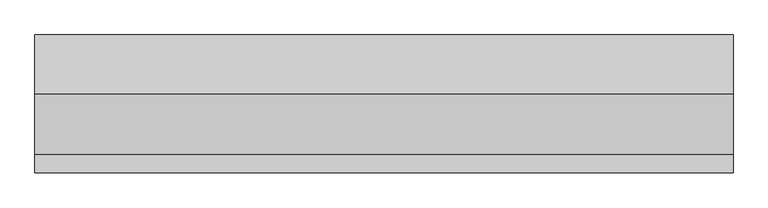
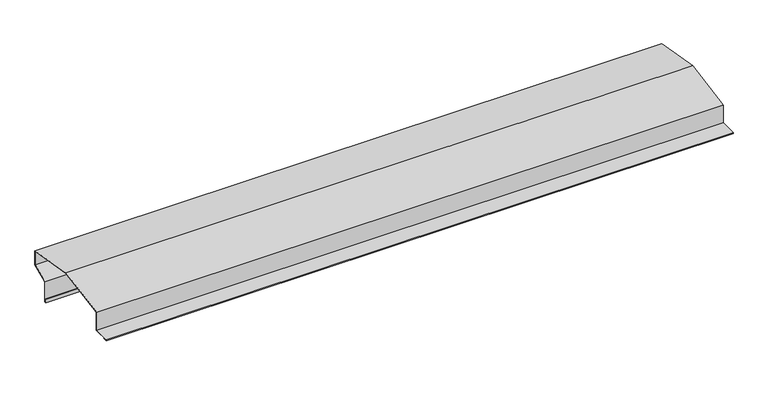
"""IFC4 building model written with IfcOpenShell, lengths in millimetres: proxy geometry."""

import ifcopenshell
import ifcopenshell.guid

model = None  # the IFC model being written
_history = None  # IfcOwnerHistory: only IFC2X3 demands one
_inside = {}  # id of a spatial element -> (the spatial element, [elements in it])
_under = {}  # id of a project, library or spatial element -> (it, [spatial elements below it])
_declared = {}  # id of a project -> (the project, [libraries it declares])
_typed = {}  # id of a type object -> (the type object, [elements of that type])
_made_of = {}  # id of a material, layer set ... -> (it, [elements and type objects made of it])


def new_model(schema):
    """Start an empty IFC model of exactly this schema.

    Asked for "IFC4X3", IfcOpenShell would pick the latest addendum, in which some entities
    have other attributes; the version numbers below select the first issue.
    IFC2X3 requires an IfcOwnerHistory on every rooted entity: one is made here for all.
    """
    global model, _history
    if schema == "IFC4X3":
        model = ifcopenshell.file(schema_version=(4, 3, 0, 0))
    else:
        model = ifcopenshell.file(schema=schema)
    _inside.clear()
    _under.clear()
    _declared.clear()
    _typed.clear()
    _made_of.clear()
    _history = None
    if model.schema == "IFC2X3":
        org = make("IfcOrganization", Name="unknown")
        user = make(
            "IfcPersonAndOrganization",
            ThePerson=make("IfcPerson", FamilyName="unknown"),
            TheOrganization=org,
        )
        app = make(
            "IfcApplication",
            ApplicationDeveloper=org,
            Version="unknown",
            ApplicationFullName="unknown",
            ApplicationIdentifier="unknown",
        )
        _history = make(
            "IfcOwnerHistory",
            OwningUser=user,
            OwningApplication=app,
            ChangeAction="ADDED",
            CreationDate=0,
        )
    return model


def make(cls, **values):
    """One entity of the class cls with the attributes given. An attribute that is None is left unset."""
    return model.create_entity(
        cls, **{name: value for name, value in values.items() if value is not None}
    )


def rooted(cls, **values):
    """An entity with a GlobalId (a new one), such as an element, a storey or a relation."""
    return make(cls, GlobalId=ifcopenshell.guid.new(), OwnerHistory=_history, **values)


def si_unit(unit_type, name, prefix=None):
    """IfcSIUnit, for example si_unit("LENGTHUNIT", "METRE", prefix="MILLI")."""
    return make("IfcSIUnit", UnitType=unit_type, Prefix=prefix, Name=name)


def assignment(units):
    """IfcUnitAssignment: the units of a project."""
    return None if units is None else make("IfcUnitAssignment", Units=units)


def point(xyz):
    """IfcCartesianPoint."""
    return None if xyz is None else make("IfcCartesianPoint", Coordinates=xyz)


def direction(xyz):
    """IfcDirection."""
    return None if xyz is None else make("IfcDirection", DirectionRatios=xyz)


def frame(location, z_axis=None, x_axis=None):
    """IfcAxis2Placement3D, a coordinate frame: its origin and axes. An axis left out is left unset."""
    return make(
        "IfcAxis2Placement3D",
        Location=point(location),
        Axis=direction(z_axis),
        RefDirection=direction(x_axis),
    )


def origin():
    """The frame at (0, 0, 0) with its axes left unset."""
    return frame((0.0, 0.0, 0.0))


def place(relative_to, where):
    """IfcLocalPlacement: puts the frame where relative to a parent placement (None: the world)."""
    return make(
        "IfcLocalPlacement", PlacementRelTo=relative_to, RelativePlacement=where
    )


def context(
    kind, dimensions, precision=None, world=None, true_north=None, identifier=None
):
    """IfcGeometricRepresentationContext, for example the 3D "Model" context."""
    return make(
        "IfcGeometricRepresentationContext",
        ContextIdentifier=identifier,
        ContextType=kind,
        CoordinateSpaceDimension=dimensions,
        Precision=precision,
        WorldCoordinateSystem=world,
        TrueNorth=true_north,
    )


def project(units=None, contexts=None):
    """IfcProject with its units and contexts."""
    return rooted(
        "IfcProject",
        Name="project",
        RepresentationContexts=contexts,
        UnitsInContext=assignment(units),
    )


def spatial(cls, under=None, at=None, **own):
    """A site, building, storey or space (cls), placed at a placement, below another one or the project."""
    s = rooted(cls, ObjectPlacement=at, **own)
    if under is not None:
        _under.setdefault(under.id(), (under, []))[1].append(s)
    return s


def faces_of(points, faces, orient=None, outer=None):
    """IfcFace entities. A face is a list of loops; a loop is a list of indices into points, from 0.

    orient and outer hold one flag for each loop. By default every Orientation is true, the
    first loop of a face is its IfcFaceOuterBound and the others are IfcFaceBound.
    """
    made = []
    for i, loops in enumerate(faces):
        bounds = []
        for j, loop in enumerate(loops):
            is_outer = j == 0 if outer is None else outer[i][j]
            bounds.append(
                make(
                    "IfcFaceOuterBound" if is_outer else "IfcFaceBound",
                    Bound=make("IfcPolyLoop", Polygon=[points[k] for k in loop]),
                    Orientation=True if orient is None else orient[i][j],
                )
            )
        made.append(make("IfcFace", Bounds=bounds))
    return made


def faceted_brep(points, faces, orient=None, outer=None, voids=None):
    """IfcFacetedBrep: a solid bounded by flat faces; with voids (closed shells), ...WithVoids."""
    shared = [point(p) for p in points]
    hull = make("IfcClosedShell", CfsFaces=faces_of(shared, faces, orient, outer))
    if voids is None:
        return make("IfcFacetedBrep", Outer=hull)
    return make(
        "IfcFacetedBrepWithVoids",
        Outer=hull,
        Voids=[
            make(cls, CfsFaces=faces_of(shared, fs, o, b)) for cls, fs, o, b in voids
        ],
    )


def shape(context_of_items, identifier, shape_type, items):
    """IfcShapeRepresentation: the items that make up one representation, for example the "Body"."""
    return make(
        "IfcShapeRepresentation",
        ContextOfItems=context_of_items,
        RepresentationIdentifier=identifier,
        RepresentationType=shape_type,
        Items=items,
    )


def source(mapping_origin, context_of_items, identifier, shape_type, items):
    """IfcRepresentationMap: a shape defined once, which mapped items show again and again."""
    return make(
        "IfcRepresentationMap",
        MappingOrigin=mapping_origin,
        MappedRepresentation=shape(context_of_items, identifier, shape_type, items),
    )


def transform(
    local_origin,
    x_axis=None,
    y_axis=None,
    z_axis=None,
    scale=None,
    scale2=None,
    scale3=None,
    uniform=True,
):
    """IfcCartesianTransformationOperator3D, or its non-uniform kind. x_axis, y_axis, z_axis: its Axis1, 2, 3."""
    if uniform:
        return make(
            "IfcCartesianTransformationOperator3D",
            Axis1=direction(x_axis),
            Axis2=direction(y_axis),
            LocalOrigin=point(local_origin),
            Scale=scale,
            Axis3=direction(z_axis),
        )
    return make(
        "IfcCartesianTransformationOperator3DnonUniform",
        Axis1=direction(x_axis),
        Axis2=direction(y_axis),
        LocalOrigin=point(local_origin),
        Scale=scale,
        Axis3=direction(z_axis),
        Scale2=scale2,
        Scale3=scale3,
    )


def mapped(mapping_source, mapping_target):
    """IfcMappedItem: shows the shape of a source again, moved by a transform."""
    return make(
        "IfcMappedItem", MappingSource=mapping_source, MappingTarget=mapping_target
    )


def made_of(thing, what):
    """Note that an element or type object is made of a material, layer set ...; save() writes the relation."""
    if what is not None:
        _made_of.setdefault(what.id(), (what, []))[1].append(thing)
    return thing


def element(
    cls,
    number,
    at=None,
    inside=None,
    cuts=None,
    type_object=None,
    material=None,
    context=None,
    identifier="Body",
    shape_type=None,
    held_by="IfcProductDefinitionShape",
    body=None,
    shapes=None,
    **own,
):
    """One element of the class cls, such as IfcWall. Its Tag is "e" and its number.

    at: its placement. inside: the storey or other place that contains it. cuts: it is an
    opening in that element (IfcRelVoidsElement). A single representation is given by context,
    identifier, shape_type and body (its items); several are given by shapes. held_by: the class
    of the entity that holds the representations. save() writes the other relations.
    """
    e = rooted(cls, Tag="e%d" % number, ObjectPlacement=at, **own)
    if body is not None:
        shapes = [shape(context, identifier, shape_type, body)]
    if shapes is not None:
        e.Representation = make(held_by, Representations=shapes)
    if inside is not None:
        _inside.setdefault(inside.id(), (inside, []))[1].append(e)
    if cuts is not None:
        rooted(
            "IfcRelVoidsElement", RelatingBuildingElement=cuts, RelatedOpeningElement=e
        )
    if type_object is not None:
        _typed.setdefault(type_object.id(), (type_object, []))[1].append(e)
    return made_of(e, material)


def aggregate(whole, parts):
    """IfcRelAggregates: a whole, such as a stair, and the parts it consists of."""
    return rooted("IfcRelAggregates", RelatingObject=whole, RelatedObjects=parts)


def save(model, path):
    """Write the relations noted so far, then the file.

    IfcRelAggregates (storeys below a building ...), IfcRelContainedInSpatialStructure (elements
    in a storey), IfcRelDefinesByType, IfcRelAssociatesMaterial and IfcRelDeclares: one each for
    every whole, place, type object, material and project.
    """
    for whole, parts in _under.values():
        aggregate(whole, parts)
    for where, things in _inside.values():
        rooted(
            "IfcRelContainedInSpatialStructure",
            RelatedElements=things,
            RelatingStructure=where,
        )
    for kind, things in _typed.values():
        rooted("IfcRelDefinesByType", RelatedObjects=things, RelatingType=kind)
    for what, things in _made_of.values():
        rooted("IfcRelAssociatesMaterial", RelatedObjects=things, RelatingMaterial=what)
    for by, libraries in _declared.values():
        rooted("IfcRelDeclares", RelatingContext=by, RelatedDefinitions=libraries)
    model.write(path)


def generic_models_a0b7d813(model_context):
    return source(origin(), model_context, "Body", "Brep", [
        faceted_brep([(0.0, 2.0, -54.0), (0.0, 7.0, -54.0), (1500.0, 7.0, -54.0), (1500.0, 2.0, -54.0), (0.0, 2.0, -44.0), (1500.0, 2.0, -44.0), (0.0, 3.0, -44.0), (1500.0, 3.0, -44.0), (0.0, 3.0, -53.0), (1500.0, 3.0, -53.0), (0.0, 6.0, -53.0), (1500.0, 6.0, -53.0), (0.0, 6.0, -3.3629297), (1500.0, 6.0, -3.3629297), (0.0, 13.2118261, 0.0), (1500.0, 13.2118261, 0.0), (1500.0, 46.7838504, 15.654892), (0.0, 46.7838504, 15.654892), (0.0, 46.7838504, 49.1787221), (1500.0, 46.7838504, 49.1787221), (0.0, -80.2411575, 71.5766583), (1500.0, -80.2411575, 71.5766583), (0.0, -207.2661654, 49.1787221), (1500.0, -207.2661654, 49.1787221), (0.0, -207.2661654, 4.0178218), (1500.0, -207.2661654, 4.0178218), (0.0, -247.2661654, 4.0178218), (1500.0, -247.2661654, 4.0178218), (0.0, -247.2661654, 3.0178218), (1500.0, -247.2661654, 3.0178218), (0.0, -238.2661654, 3.0178218), (1500.0, -238.2661654, 3.0178218), (0.0, -238.2661654, 2.0178218), (1500.0, -238.2661654, 2.0178218), (0.0, -248.2661654, 2.0178218), (1500.0, -248.2661654, 2.0178218), (0.0, -248.2661654, 5.0178218), (1500.0, -248.2661654, 5.0178218), (0.0, -208.2661654, 5.0178218), (1500.0, -208.2661654, 5.0178218), (0.0, -208.2661654, 50.0178218), (1500.0, -208.2661654, 50.0178218), (0.0, -80.2411575, 72.5920849), (1500.0, -80.2411575, 72.5920849), (0.0, 47.7838504, 50.0178218), (1500.0, 47.7838504, 50.0178218), (0.0, 47.7838504, 15.0178218), (1500.0, 47.7838504, 15.0178218), (0.0, 7.0, -4.0), (0.0, 15.5780277, 0.0), (1500.0, 15.5780277, 0.0), (1500.0, 7.0, -4.0)], [[[0, 1, 2, 3]], [[4, 0, 3, 5]], [[6, 4, 5, 7]], [[8, 6, 7, 9]], [[10, 8, 9, 11]], [[12, 10, 11, 13]], [[14, 12, 13, 15, 16, 17]], [[18, 17, 16, 19]], [[20, 18, 19, 21]], [[22, 20, 21, 23]], [[24, 22, 23, 25]], [[26, 24, 25, 27]], [[28, 26, 27, 29]], [[30, 28, 29, 31]], [[32, 30, 31, 33]], [[34, 32, 33, 35]], [[36, 34, 35, 37]], [[38, 36, 37, 39]], [[40, 38, 39, 41]], [[42, 40, 41, 43]], [[44, 42, 43, 45]], [[46, 44, 45, 47]], [[48, 49, 46, 47, 50, 51]], [[1, 48, 51, 2]], [[14, 49, 48, 1, 0, 4, 6, 8, 10, 12]], [[49, 14, 17, 18, 20, 22, 24, 26, 28, 30, 32, 34, 36, 38, 40, 42, 44, 46]], [[50, 15, 13, 11, 9, 7, 5, 3, 2, 51]], [[15, 50, 47, 45, 43, 41, 39, 37, 35, 33, 31, 29, 27, 25, 23, 21, 19, 16]]]),
    ])


if __name__ == "__main__":
    model = new_model("IFC4")
    model_context = context("Model", 3, world=origin())
    ifc_project = project(units=[si_unit("LENGTHUNIT", "METRE", prefix="MILLI")], contexts=[model_context])
    site = spatial("IfcSite", under=ifc_project)
    building = spatial("IfcBuilding", under=site)
    placement = place(None, origin())
    generic_models_shape = generic_models_a0b7d813(model_context)
    element("IfcBuildingElementProxy", 1, Name="Generic Models", at=placement, inside=building, context=model_context, shape_type="MappedRepresentation", body=[
        mapped(generic_models_shape, transform((0.0, 0.0, 0.0), x_axis=(1.0, 0.0, 0.0), y_axis=(0.0, 1.0, 0.0), z_axis=(0.0, 0.0, 1.0))),
    ])
    save(model, "model.ifc")
